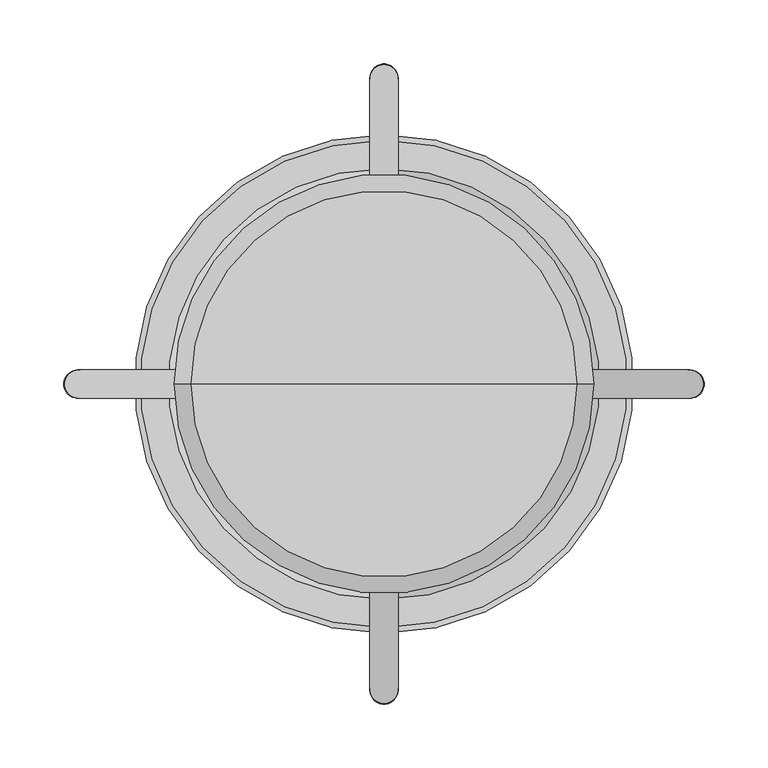
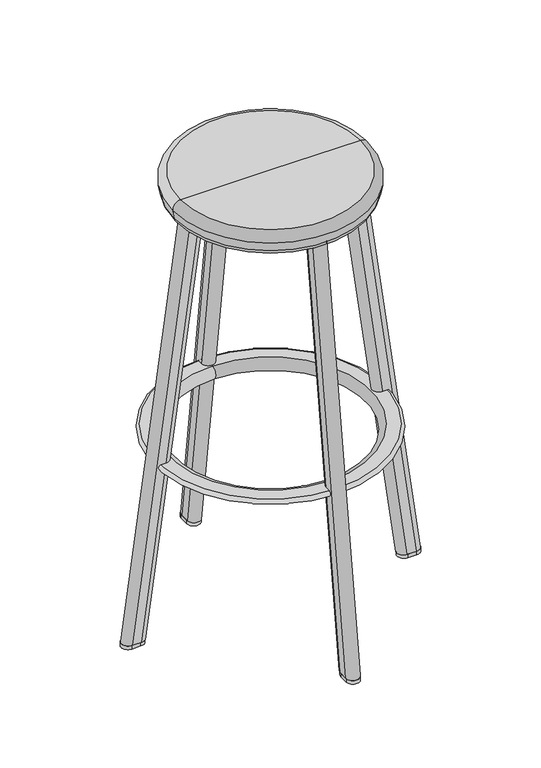
"""IFC4 building model written with IfcOpenShell, lengths in millimetres: furniture geometry."""

from ifc_helpers import new_model, si_unit, point, frame, frame_2d, origin, origin_with_axes, place, context, project, spatial, polyline, circle_curve, ellipse_curve, trimmed, segment, composite_curve, outline, extrude, source, transform, mapped, element, save
from ifc_brep_helpers import plane_surface, cylinder_surface, revolved_surface, advanced_brep


def furniture_caf54dea(model_context):
    return source(origin(), model_context, "Body", "SolidModel", [
        advanced_brep(
        [(-161.4490082, 0.0, 730.4370658), (161.4490082, 0.0, 730.4370658), (148.9456, 0.0, 719.963), (-148.9456, 0.0, 719.963), (-164.1414082, 0.0, 745.5183158), (164.1414082, 0.0, 745.5183158), (-151.638, 0.0, 760.44425), (151.638, 0.0, 760.44425), (0.0, 0.0, 760.44425), (0.0, 0.0, 719.963)],
        [
            (0, 1, circle_curve(frame((0.0, 0.0, 730.4370658), z_axis=(0.0, 0.0, -1.0), x_axis=(1.0, 0.0, 0.0)), 161.4490082)),
            (1, 2, circle_curve(frame((148.9456, 0.0, 732.663), z_axis=(0.0, 1.0, 0.0), x_axis=(1.0, 0.0, 0.0)), 12.7)),
            (2, 3, circle_curve(frame((0.0, 0.0, 719.963), z_axis=(0.0, 0.0, 1.0), x_axis=(1.0, 0.0, 0.0)), 148.9456)),
            (3, 0, circle_curve(frame((-148.9456, 0.0, 732.663), z_axis=(0.0, 1.0, 0.0), x_axis=(-1.0, 0.0, 0.0)), 12.7)),
            (1, 0, circle_curve(frame((0.0, 0.0, 730.4370658), z_axis=(0.0, 0.0, -1.0), x_axis=(1.0, 0.0, 0.0)), 161.4490082)),
            (3, 2, circle_curve(frame((0.0, 0.0, 719.963), z_axis=(0.0, 0.0, 1.0), x_axis=(1.0, 0.0, 0.0)), 148.9456)),
            (4, 5, circle_curve(frame((0.0, 0.0, 745.5183158), z_axis=(0.0, 0.0, -1.0), x_axis=(1.0, 0.0, 0.0)), 164.1414082)),
            (5, 1),
            (0, 4),
            (5, 4, circle_curve(frame((0.0, 0.0, 745.5183158), z_axis=(0.0, 0.0, -1.0), x_axis=(1.0, 0.0, 0.0)), 164.1414082)),
            (6, 7, circle_curve(frame((0.0, 0.0, 760.44425), z_axis=(0.0, 0.0, -1.0), x_axis=(1.0, 0.0, 0.0)), 151.638)),
            (7, 5, circle_curve(frame((151.638, 0.0, 747.74425), z_axis=(0.0, 1.0, 0.0), x_axis=(1.0, 0.0, 0.0)), 12.7)),
            (4, 6, circle_curve(frame((-151.638, 0.0, 747.74425), z_axis=(0.0, 1.0, 0.0), x_axis=(-1.0, 0.0, 0.0)), 12.7)),
            (7, 6, circle_curve(frame((0.0, 0.0, 760.44425), z_axis=(0.0, 0.0, -1.0), x_axis=(1.0, 0.0, 0.0)), 151.638)),
            (8, 7),
            (6, 8),
            (2, 9),
            (9, 3),
        ],
        [
            revolved_surface(trimmed(ellipse_curve(frame((148.9456, 0.0, 732.663), z_axis=(0.0, -1.0, 0.0), x_axis=(1.0, 0.0, 0.0)), 12.7, 12.7), [point((148.9456, 0.0, 719.963))], [point((161.4490082, 0.0, 730.4370658))], True, "CARTESIAN"), (0.0, 0.0, 789.813), (0.0, 0.0, 1.0)),
            revolved_surface(polyline([(161.4490082, 0.0, 730.4370658), (164.1414082, 0.0, 745.5183158)]), (0.0, 0.0, 789.813), (0.0, 0.0, 1.0)),
            revolved_surface(trimmed(ellipse_curve(frame((151.638, 0.0, 747.74425), z_axis=(0.0, -1.0, 0.0), x_axis=(1.0, 0.0, 0.0)), 12.7, 12.7), [point((164.1414082, 0.0, 745.5183158))], [point((151.638, 0.0, 760.44425))], True, "CARTESIAN"), (0.0, 0.0, 789.813), (0.0, 0.0, 1.0)),
            plane_surface(frame((0.0, 0.0, 760.44425), z_axis=(0.0, 0.0, 1.0), x_axis=(1.0, 0.0, 0.0))),
            plane_surface(frame((0.0, 0.0, 719.963), z_axis=(0.0, 0.0, -1.0), x_axis=(1.0, 0.0, 0.0))),
        ],
        [
            (0, [[1, 2, 3, 4]]),
            (0, [[5, -4, 6, -2]]),
            (1, [[7, 8, -1, 9]]),
            (1, [[10, -9, -5, -8]]),
            (2, [[11, 12, -7, 13]]),
            (2, [[14, -13, -10, -12]]),
            (3, [[15, -11, 16]]),
            (3, [[-16, -14, -15]]),
            (4, [[-3, 17, 18]]),
            (4, [[-6, -18, -17]]),
        ],
    ),
        advanced_brep(
        [(0.0, -168.8255184, 309.8215553), (0.0, 168.8255184, 309.8215553), (0.0, 174.2197397, 290.3706217), (0.0, -174.2197397, 290.3706217), (0.0, -193.2895368, 301.8289118), (0.0, 193.2895368, 301.8289118), (0.0, 191.0729806, 309.8215553), (0.0, -191.0729806, 309.8215553)],
        [
            (0, 1, circle_curve(frame((0.0, 0.0, 309.8215553), z_axis=(0.0, 0.0, 1.0), x_axis=(0.0, 1.0, 0.0)), 168.8255184)),
            (1, 2, circle_curve(frame((0.0, 168.8255184, 299.3481135), z_axis=(1.0, 0.0, 0.0), x_axis=(0.0, 1.0, 0.0)), 10.4734418)),
            (2, 3, circle_curve(frame((0.0, 0.0, 290.3706217), z_axis=(0.0, 0.0, -1.0), x_axis=(0.0, 1.0, 0.0)), 174.2197397)),
            (3, 0, circle_curve(frame((0.0, -168.8255184, 299.3481135), z_axis=(1.0, 0.0, 0.0), x_axis=(0.0, -1.0, 0.0)), 10.4734418)),
            (4, 5, circle_curve(frame((0.0, 0.0, 301.8289118), z_axis=(0.0, 0.0, 1.0), x_axis=(0.0, 1.0, 0.0)), 193.2895368)),
            (5, 6, circle_curve(frame((0.0, 191.0729806, 305.5178808), z_axis=(1.0, 0.0, 0.0), x_axis=(0.0, 1.0, 0.0)), 4.3036745)),
            (6, 7, circle_curve(frame((0.0, 0.0, 309.8215553), z_axis=(0.0, 0.0, -1.0), x_axis=(0.0, 1.0, 0.0)), 191.0729806)),
            (7, 4, circle_curve(frame((0.0, -191.0729806, 305.5178808), z_axis=(1.0, 0.0, 0.0), x_axis=(0.0, -1.0, 0.0)), 4.3036745)),
            (2, 5),
            (4, 3),
            (1, 0, circle_curve(frame((0.0, 0.0, 309.8215553), z_axis=(0.0, 0.0, 1.0), x_axis=(0.0, -1.0, 0.0)), 168.8255184)),
            (3, 2, circle_curve(frame((0.0, 0.0, 290.3706217), z_axis=(0.0, 0.0, -1.0), x_axis=(0.0, -1.0, 0.0)), 174.2197397)),
            (6, 7, circle_curve(frame((0.0, 0.0, 309.8215553), z_axis=(0.0, 0.0, 1.0), x_axis=(0.0, -1.0, 0.0)), 191.0729806)),
            (5, 4, circle_curve(frame((0.0, 0.0, 301.8289118), z_axis=(0.0, 0.0, 1.0), x_axis=(0.0, -1.0, 0.0)), 193.2895368)),
        ],
        [
            revolved_surface(trimmed(ellipse_curve(frame((0.0, 168.8255184, 299.3481135), z_axis=(-1.0, 0.0, 0.0), x_axis=(0.0, 1.0, 0.0)), 10.4734418, 10.4734418), [point((0.0, 174.2197397, 290.3706217))], [point((0.0, 168.8255184, 309.8215553))], True, "CARTESIAN"), (0.0, 0.0, 289.052), (0.0, 0.0, -1.0)),
            revolved_surface(trimmed(ellipse_curve(frame((0.0, 191.0729806, 305.5178808), z_axis=(-1.0, 0.0, 0.0), x_axis=(0.0, 1.0, 0.0)), 4.3036745, 4.3036745), [point((0.0, 191.0729806, 309.8215553))], [point((0.0, 193.2895368, 301.8289118))], True, "CARTESIAN"), (0.0, 0.0, 289.052), (0.0, 0.0, -1.0)),
            revolved_surface(polyline([(0.0, 193.2895368, 301.8289118), (0.0, 174.2197397, 290.3706217)]), (0.0, 0.0, 289.052), (0.0, 0.0, -1.0)),
            revolved_surface(trimmed(ellipse_curve(frame((0.0, -168.8255184, 299.3481135), z_axis=(1.0, 0.0, 0.0), x_axis=(0.0, -1.0, 0.0)), 10.4734418, 10.4734418), [point((0.0, -174.2197397, 290.3706217))], [point((0.0, -168.8255184, 309.8215553))], True, "CARTESIAN"), (0.0, 0.0, 289.052), (0.0, 0.0, -1.0)),
            plane_surface(frame((0.0, 0.0, 309.8215553), z_axis=(0.0, 0.0, 1.0), x_axis=(0.0, -1.0, 0.0))),
            revolved_surface(trimmed(ellipse_curve(frame((0.0, -191.0729806, 305.5178808), z_axis=(1.0, 0.0, 0.0), x_axis=(0.0, -1.0, 0.0)), 4.3036745, 4.3036745), [point((0.0, -191.0729806, 309.8215553))], [point((0.0, -193.2895368, 301.8289118))], True, "CARTESIAN"), (0.0, 0.0, 289.052), (0.0, 0.0, -1.0)),
            revolved_surface(polyline([(0.0, -193.2895368, 301.8289118), (0.0, -174.2197397, 290.3706217)]), (0.0, 0.0, 289.052), (0.0, 0.0, -1.0)),
        ],
        [
            (0, [[1, 2, 3, 4]]),
            (1, [[5, 6, 7, 8]]),
            (2, [[-3, 9, -5, 10]]),
            (3, [[11, -4, 12, -2]]),
            (4, [[13, -7], [-11, -1]]),
            (5, [[14, -8, -13, -6]]),
            (6, [[-12, -10, -14, -9]]),
        ],
    ),
        advanced_brep(
        [(-11.1252, 239.0515637, 6.35), (11.1252, 239.0515637, 6.35), (11.1252, 223.0314731, 6.35), (-11.1252, 223.0314731, 6.35), (-11.1252, 134.3406, 719.963), (11.1252, 134.3406, 719.963), (11.1252, 142.3506453, 719.963), (-11.1252, 142.3506453, 719.963), (-11.1252, 126.4749883, 718.8971395), (11.1252, 126.4749883, 718.8971395)],
        [
            (0, 1, ellipse_curve(frame((0.0, 239.0515637, 6.35), z_axis=(0.0, 0.0, -1.0), x_axis=(0.0, -1.0, 0.0)), 11.2268795, 11.1252)),
            (1, 2),
            (2, 3, ellipse_curve(frame((0.0, 223.0314731, 6.35), z_axis=(0.0, 0.0, -1.0), x_axis=(0.0, -1.0, 0.0)), 11.2268795, 11.1252)),
            (3, 0),
            (4, 5),
            (5, 6),
            (6, 7, ellipse_curve(frame((0.0, 142.3506453, 719.963), z_axis=(0.0, 0.0, 1.0), x_axis=(0.0, -1.0, 0.0)), 11.2268795, 11.1252)),
            (7, 4),
            (8, 9, circle_curve(frame((0.0, 126.4749883, 718.8971395), z_axis=(0.0, -0.13428163222305747, 0.9909432088911613), x_axis=(0.0, 0.9909432088911613, 0.13428163222305747)), 11.1252)),
            (9, 5),
            (4, 8),
            (6, 1),
            (0, 7),
            (3, 8),
            (2, 9),
        ],
        [
            plane_surface(frame((295.8666439, -260.6068607, 6.35), z_axis=(0.0, 0.0, -1.0), x_axis=(0.0, 1.0, 0.0))),
            plane_surface(frame((-229.2998342, -260.6068607, 719.963), z_axis=(0.0, 0.0, 1.0), x_axis=(0.0, 1.0, 0.0))),
            plane_surface(frame((0.0, 134.3406, 719.963), z_axis=(0.0, -0.13428163222305745, 0.9909432088911613), x_axis=(1.0, 0.0, 0.0))),
            cylinder_surface(frame((0.0, 142.2062117, 721.0288605), z_axis=(0.0, -0.13428163222305747, 0.9909432088911613), x_axis=(0.0, 0.9909432088911613, 0.13428163222305747)), 11.1252),
            plane_surface(frame((-11.1252, 142.2062117, 721.0288605), z_axis=(-1.0000000000000002, 0.0, 0.0), x_axis=(0.0, 0.1342816322230575, -0.9909432088911613))),
            cylinder_surface(frame((0.0, 126.4749883, 718.8971395), z_axis=(0.0, -0.13428163222305747, 0.9909432088911613), x_axis=(0.0, 0.9909432088911613, 0.13428163222305747)), 11.1252),
            plane_surface(frame((11.1252, 126.4749883, 718.8971395), z_axis=(1.0, 0.0, 0.0), x_axis=(0.0, 0.13428163222305742, -0.9909432088911613))),
        ],
        [
            (0, [[1, 2, 3, 4]]),
            (1, [[5, 6, 7, 8]]),
            (2, [[9, 10, -5, 11]]),
            (3, [[12, -1, 13, -7]]),
            (4, [[-11, -8, -13, -4, 14]]),
            (5, [[-9, -14, -3, 15]]),
            (6, [[-10, -15, -2, -12, -6]]),
        ],
    ),
        advanced_brep(
        [(11.1252, -239.0515637, 6.35), (-11.1252, -239.0515637, 6.35), (-11.1252, -223.0314731, 6.35), (11.1252, -223.0314731, 6.35), (11.1252, -134.3406, 719.963), (-11.1252, -134.3406, 719.963), (-11.1252, -142.3506453, 719.963), (11.1252, -142.3506453, 719.963), (11.1252, -126.4749883, 718.8971395), (-11.1252, -126.4749883, 718.8971395)],
        [
            (0, 1, ellipse_curve(frame((0.0, -239.0515637, 6.35), z_axis=(0.0, 0.0, -1.0), x_axis=(0.0, 1.0, 0.0)), 11.2268795, 11.1252)),
            (1, 2),
            (2, 3, ellipse_curve(frame((0.0, -223.0314731, 6.35), z_axis=(0.0, 0.0, -1.0), x_axis=(0.0, 1.0, 0.0)), 11.2268795, 11.1252)),
            (3, 0),
            (4, 5),
            (5, 6),
            (6, 7, ellipse_curve(frame((0.0, -142.3506453, 719.963), z_axis=(0.0, 0.0, 1.0), x_axis=(0.0, 1.0, 0.0)), 11.2268795, 11.1252)),
            (7, 4),
            (8, 9, circle_curve(frame((0.0, -126.4749883, 718.8971395), z_axis=(0.0, 0.13428163222263137, 0.990943208891219), x_axis=(0.0, -0.990943208891219, 0.13428163222263137)), 11.1252)),
            (9, 5),
            (4, 8),
            (6, 1),
            (0, 7),
            (9, 2),
            (8, 3),
        ],
        [
            plane_surface(frame((295.8666439, -260.6068607, 6.35), z_axis=(0.0, 0.0, -1.0), x_axis=(0.0, 1.0, 0.0))),
            plane_surface(frame((-229.2998342, -260.6068607, 719.963), z_axis=(0.0, 0.0, 1.0), x_axis=(0.0, 1.0, 0.0))),
            plane_surface(frame((0.0, -134.3406, 719.963), z_axis=(0.0, 0.13428163222263134, 0.990943208891219), x_axis=(1.0, 0.0, 0.0))),
            cylinder_surface(frame((0.0, -142.2062117, 721.0288605), z_axis=(0.0, 0.13428163222263137, 0.990943208891219), x_axis=(0.0, -0.990943208891219, 0.13428163222263137)), 11.1252),
            plane_surface(frame((-11.1252, -126.4749883, 718.8971395), z_axis=(-1.0000000000000002, 0.0, 0.0), x_axis=(0.0, -0.13428163222263137, -0.990943208891219))),
            cylinder_surface(frame((0.0, -126.4749883, 718.8971395), z_axis=(0.0, 0.13428163222263137, 0.990943208891219), x_axis=(0.0, -0.990943208891219, 0.13428163222263137)), 11.1252),
            plane_surface(frame((11.1252, -142.2062117, 721.0288605), z_axis=(1.0000000000000002, 0.0, 0.0), x_axis=(0.0, -0.1342816322226314, -0.990943208891219))),
        ],
        [
            (0, [[1, 2, 3, 4]]),
            (1, [[5, 6, 7, 8]]),
            (2, [[9, 10, -5, 11]]),
            (3, [[12, -1, 13, -7]]),
            (4, [[-10, 14, -2, -12, -6]]),
            (5, [[-9, 15, -3, -14]]),
            (6, [[-11, -8, -13, -4, -15]]),
        ],
    ),
        advanced_brep(
        [(239.0515637, 11.1252, 6.35), (239.0515637, -11.1252, 6.35), (223.0314731, -11.1252, 6.35), (223.0314731, 11.1252, 6.35), (134.3406, 11.1252, 719.963), (134.3406, -11.1252, 719.963), (142.3506453, -11.1252, 719.963), (142.3506453, 11.1252, 719.963), (126.4749883, 11.1252, 718.8971395), (126.4749883, -11.1252, 718.8971395)],
        [
            (0, 1, ellipse_curve(frame((239.0515637, 0.0, 6.35), z_axis=(0.0, 0.0, -1.0), x_axis=(-1.0, 0.0, 0.0)), 11.2268795, 11.1252)),
            (1, 2),
            (2, 3, ellipse_curve(frame((223.0314731, 0.0, 6.35), z_axis=(0.0, 0.0, -1.0), x_axis=(-1.0, 0.0, 0.0)), 11.2268795, 11.1252)),
            (3, 0),
            (4, 5),
            (5, 6),
            (6, 7, ellipse_curve(frame((142.3506453, 0.0, 719.963), z_axis=(0.0, 0.0, 1.0), x_axis=(-1.0, 0.0, 0.0)), 11.2268795, 11.1252)),
            (7, 4),
            (8, 9, circle_curve(frame((126.4749883, 0.0, 718.8971395), z_axis=(-0.134281632222642, 0.0, 0.9909432088912176), x_axis=(0.9909432088912176, 0.0, 0.134281632222642)), 11.1252)),
            (9, 5),
            (4, 8),
            (6, 1),
            (0, 7),
            (3, 8),
            (2, 9),
        ],
        [
            plane_surface(frame((295.8666439, -260.6068607, 6.35), z_axis=(0.0, 0.0, -1.0), x_axis=(0.0, 1.0, 0.0))),
            plane_surface(frame((-229.2998342, -260.6068607, 719.963), z_axis=(0.0, 0.0, 1.0), x_axis=(0.0, 1.0, 0.0))),
            plane_surface(frame((134.3406, 0.0, 719.963), z_axis=(-0.13428163222264197, 0.0, 0.9909432088912176), x_axis=(0.0, -1.0, 0.0))),
            cylinder_surface(frame((142.2062117, 0.0, 721.0288605), z_axis=(-0.134281632222642, 0.0, 0.9909432088912176), x_axis=(0.9909432088912176, 0.0, 0.134281632222642)), 11.1252),
            plane_surface(frame((142.2062117, 11.1252, 721.0288605), z_axis=(0.0, 1.0, 0.0), x_axis=(0.134281632222642, 0.0, -0.9909432088912176))),
            cylinder_surface(frame((126.4749883, 0.0, 718.8971395), z_axis=(-0.134281632222642, 0.0, 0.9909432088912176), x_axis=(0.9909432088912176, 0.0, 0.134281632222642)), 11.1252),
            plane_surface(frame((126.4749883, -11.1252, 718.8971395), z_axis=(0.0, -1.0, 0.0), x_axis=(0.13428163222264197, 0.0, -0.9909432088912176))),
        ],
        [
            (0, [[1, 2, 3, 4]]),
            (1, [[5, 6, 7, 8]]),
            (2, [[9, 10, -5, 11]]),
            (3, [[12, -1, 13, -7]]),
            (4, [[-11, -8, -13, -4, 14]]),
            (5, [[-9, -14, -3, 15]]),
            (6, [[-10, -15, -2, -12, -6]]),
        ],
    ),
        advanced_brep(
        [(-239.0515534, -11.1252, 6.35), (-239.0515534, 11.1252, 6.35), (-223.0314587, 11.1252, 6.35), (-223.0314587, -11.1252, 6.35), (-134.3391959, -11.1252, 719.963), (-134.3391959, 11.1252, 719.963), (-142.3492433, 11.1252, 719.963), (-142.3492433, -11.1252, 719.963), (-126.4735862, -11.1252, 718.8971245), (-126.4735862, 11.1252, 718.8971245)],
        [
            (0, 1, ellipse_curve(frame((-239.0515534, 0.0, 6.35), z_axis=(0.0, 0.0, -1.0), x_axis=(1.0, 0.0, 0.0)), 11.2268824, 11.1252)),
            (1, 2),
            (2, 3, ellipse_curve(frame((-223.0314587, 0.0, 6.35), z_axis=(0.0, 0.0, -1.0), x_axis=(1.0, 0.0, 0.0)), 11.2268824, 11.1252)),
            (3, 0),
            (4, 5),
            (5, 6),
            (6, 7, ellipse_curve(frame((-142.3492433, 0.0, 719.963), z_axis=(0.0, 0.0, 1.0), x_axis=(1.0, 0.0, 0.0)), 11.2268824, 11.1252)),
            (7, 4),
            (8, 9, circle_curve(frame((-126.4735862, 0.0, 718.8971245), z_axis=(0.13428352992894932, 0.0, 0.9909429517332575), x_axis=(-0.9909429517332575, 0.0, 0.13428352992894932)), 11.1252)),
            (9, 5),
            (4, 8),
            (6, 1),
            (0, 7),
            (9, 2),
            (8, 3),
        ],
        [
            plane_surface(frame((295.8666439, -260.6068607, 6.35), z_axis=(0.0, 0.0, -1.0), x_axis=(0.0, 1.0, 0.0))),
            plane_surface(frame((-229.2998342, -260.6068607, 719.963), z_axis=(0.0, 0.0, 1.0), x_axis=(0.0, 1.0, 0.0))),
            plane_surface(frame((-134.3391959, 0.0, 719.963), z_axis=(0.13428352992894932, 0.0, 0.9909429517332575), x_axis=(0.0, -1.0, 0.0))),
            cylinder_surface(frame((-142.2048056, 0.0, 721.0288755), z_axis=(0.13428352992894932, 0.0, 0.9909429517332575), x_axis=(-0.9909429517332575, 0.0, 0.13428352992894932)), 11.1252),
            plane_surface(frame((-126.4735862, 11.1252, 718.8971245), z_axis=(0.0, 1.0000000000000002, 0.0), x_axis=(-0.13428352992894932, 0.0, -0.9909429517332575))),
            cylinder_surface(frame((-126.4735862, 0.0, 718.8971245), z_axis=(0.13428352992894932, 0.0, 0.9909429517332575), x_axis=(-0.9909429517332575, 0.0, 0.13428352992894932)), 11.1252),
            plane_surface(frame((-142.2048056, -11.1252, 721.0288755), z_axis=(0.0, -1.0000000000000002, 0.0), x_axis=(-0.13428352992894932, 0.0, -0.9909429517332575))),
        ],
        [
            (0, [[1, 2, 3, 4]]),
            (1, [[5, 6, 7, 8]]),
            (2, [[9, 10, -5, 11]]),
            (3, [[12, -1, 13, -7]]),
            (4, [[-10, 14, -2, -12, -6]]),
            (5, [[-9, 15, -3, -14]]),
            (6, [[-11, -8, -13, -4, -15]]),
        ],
    ),
        extrude(outline(composite_curve([segment(polyline([(11.1252, -223.9645), (11.1252, -239.8395)]), True, "CONTINUOUS"), segment(trimmed(circle_curve(frame_2d((0.0, -239.8395)), 11.1252), [point((11.1252, -239.8395))], [point((-11.1252, -239.8395))], False, "CARTESIAN"), True, "CONTINUOUS"), segment(polyline([(-11.1252, -239.8395), (-11.1252, -223.9645)]), True, "CONTINUOUS"), segment(trimmed(circle_curve(frame_2d((0.0, -223.9645)), 11.1252), [point((-11.1252, -223.9645))], [point((11.1252, -223.9645))], False, "CARTESIAN"), True, "CONTINUOUS")], self_intersect=False)), origin_with_axes(), (0.0, 0.0, 1.0), 6.35),
        extrude(outline(composite_curve([segment(trimmed(circle_curve(frame_2d((0.0, 223.9645)), 11.1252), [point((11.1252, 223.9645))], [point((-11.1252, 223.9645))], False, "CARTESIAN"), True, "CONTINUOUS"), segment(polyline([(-11.1252, 223.9645), (-11.1252, 239.8395)]), True, "CONTINUOUS"), segment(trimmed(circle_curve(frame_2d((0.0, 239.8395)), 11.1252), [point((-11.1252, 239.8395))], [point((11.1252, 239.8395))], False, "CARTESIAN"), True, "CONTINUOUS"), segment(polyline([(11.1252, 239.8395), (11.1252, 223.9645)]), True, "CONTINUOUS")], self_intersect=False)), origin_with_axes(), (0.0, 0.0, 1.0), 6.35),
        extrude(outline(composite_curve([segment(polyline([(-223.9645, -11.1252), (-239.8395, -11.1252)]), True, "CONTINUOUS"), segment(trimmed(circle_curve(frame_2d((-239.8395, 0.0)), 11.1252), [point((-239.8395, -11.1252))], [point((-239.8395, 11.1252))], False, "CARTESIAN"), True, "CONTINUOUS"), segment(polyline([(-239.8395, 11.1252), (-223.9645, 11.1252)]), True, "CONTINUOUS"), segment(trimmed(circle_curve(frame_2d((-223.9645, 0.0)), 11.1252), [point((-223.9645, 11.1252))], [point((-223.9645, -11.1252))], False, "CARTESIAN"), True, "CONTINUOUS")], self_intersect=False)), origin_with_axes(), (0.0, 0.0, 1.0), 6.35),
        extrude(outline(composite_curve([segment(trimmed(circle_curve(frame_2d((223.9645, 0.0)), 11.1252), [point((223.9645, -11.1252))], [point((223.9645, 11.1252))], False, "CARTESIAN"), True, "CONTINUOUS"), segment(polyline([(223.9645, 11.1252), (239.8395, 11.1252)]), True, "CONTINUOUS"), segment(trimmed(circle_curve(frame_2d((239.8395, 0.0)), 11.1252), [point((239.8395, 11.1252))], [point((239.8395, -11.1252))], False, "CARTESIAN"), True, "CONTINUOUS"), segment(polyline([(239.8395, -11.1252), (223.9645, -11.1252)]), True, "CONTINUOUS")], self_intersect=False)), origin_with_axes(), (0.0, 0.0, 1.0), 6.35),
    ])


if __name__ == "__main__":
    model = new_model("IFC4")
    model_context = context("Model", 3, world=origin())
    ifc_project = project(units=[si_unit("LENGTHUNIT", "METRE", prefix="MILLI")], contexts=[model_context])
    site = spatial("IfcSite", under=ifc_project)
    building = spatial("IfcBuilding", under=site)
    placement = place(None, origin())
    furniture_shape = furniture_caf54dea(model_context)
    element("IfcFurniture", 1, at=placement, inside=building, context=model_context, shape_type="MappedRepresentation", body=[
        mapped(furniture_shape, transform((0.0, 0.0, 0.0), x_axis=(1.0, 0.0, 0.0), y_axis=(0.0, 1.0, 0.0), z_axis=(0.0, 0.0, 1.0))),
    ])
    save(model, "model.ifc")
